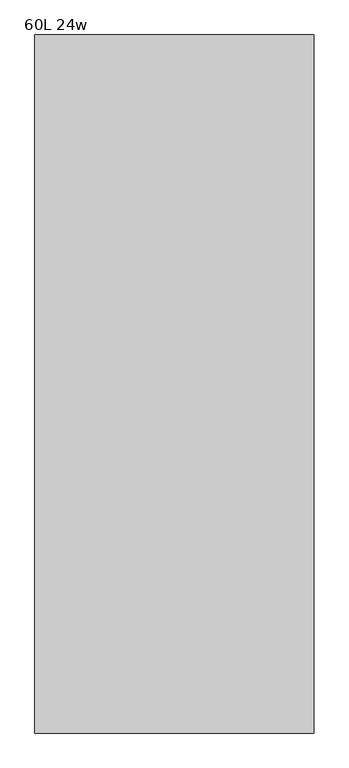
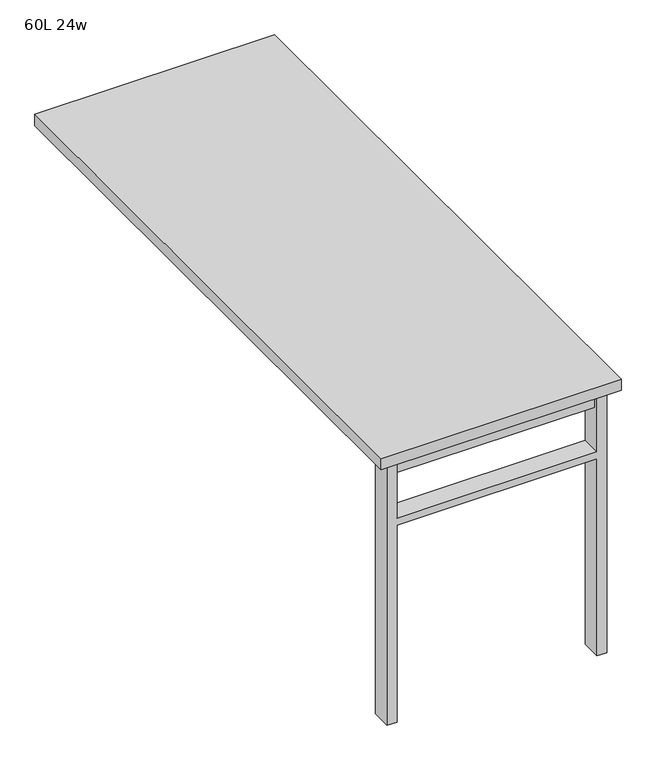
"""IFC4 building model written with IfcOpenShell, lengths in millimetres: furniture geometry, 60L 24w."""

import ifcopenshell
import ifcopenshell.guid

model = None  # the IFC model being written
_history = None  # IfcOwnerHistory: only IFC2X3 demands one
_inside = {}  # id of a spatial element -> (the spatial element, [elements in it])
_under = {}  # id of a project, library or spatial element -> (it, [spatial elements below it])
_declared = {}  # id of a project -> (the project, [libraries it declares])
_typed = {}  # id of a type object -> (the type object, [elements of that type])
_made_of = {}  # id of a material, layer set ... -> (it, [elements and type objects made of it])


def new_model(schema):
    """Start an empty IFC model of exactly this schema.

    Asked for "IFC4X3", IfcOpenShell would pick the latest addendum, in which some entities
    have other attributes; the version numbers below select the first issue.
    IFC2X3 requires an IfcOwnerHistory on every rooted entity: one is made here for all.
    """
    global model, _history
    if schema == "IFC4X3":
        model = ifcopenshell.file(schema_version=(4, 3, 0, 0))
    else:
        model = ifcopenshell.file(schema=schema)
    _inside.clear()
    _under.clear()
    _declared.clear()
    _typed.clear()
    _made_of.clear()
    _history = None
    if model.schema == "IFC2X3":
        org = make("IfcOrganization", Name="unknown")
        user = make(
            "IfcPersonAndOrganization",
            ThePerson=make("IfcPerson", FamilyName="unknown"),
            TheOrganization=org,
        )
        app = make(
            "IfcApplication",
            ApplicationDeveloper=org,
            Version="unknown",
            ApplicationFullName="unknown",
            ApplicationIdentifier="unknown",
        )
        _history = make(
            "IfcOwnerHistory",
            OwningUser=user,
            OwningApplication=app,
            ChangeAction="ADDED",
            CreationDate=0,
        )
    return model


def make(cls, **values):
    """One entity of the class cls with the attributes given. An attribute that is None is left unset."""
    return model.create_entity(
        cls, **{name: value for name, value in values.items() if value is not None}
    )


def rooted(cls, **values):
    """An entity with a GlobalId (a new one), such as an element, a storey or a relation."""
    return make(cls, GlobalId=ifcopenshell.guid.new(), OwnerHistory=_history, **values)


def si_unit(unit_type, name, prefix=None):
    """IfcSIUnit, for example si_unit("LENGTHUNIT", "METRE", prefix="MILLI")."""
    return make("IfcSIUnit", UnitType=unit_type, Prefix=prefix, Name=name)


def assignment(units):
    """IfcUnitAssignment: the units of a project."""
    return None if units is None else make("IfcUnitAssignment", Units=units)


def point(xyz):
    """IfcCartesianPoint."""
    return None if xyz is None else make("IfcCartesianPoint", Coordinates=xyz)


def direction(xyz):
    """IfcDirection."""
    return None if xyz is None else make("IfcDirection", DirectionRatios=xyz)


def frame(location, z_axis=None, x_axis=None):
    """IfcAxis2Placement3D, a coordinate frame: its origin and axes. An axis left out is left unset."""
    return make(
        "IfcAxis2Placement3D",
        Location=point(location),
        Axis=direction(z_axis),
        RefDirection=direction(x_axis),
    )


def origin():
    """The frame at (0, 0, 0) with its axes left unset."""
    return frame((0.0, 0.0, 0.0))


def place(relative_to, where):
    """IfcLocalPlacement: puts the frame where relative to a parent placement (None: the world)."""
    return make(
        "IfcLocalPlacement", PlacementRelTo=relative_to, RelativePlacement=where
    )


def context(
    kind, dimensions, precision=None, world=None, true_north=None, identifier=None
):
    """IfcGeometricRepresentationContext, for example the 3D "Model" context."""
    return make(
        "IfcGeometricRepresentationContext",
        ContextIdentifier=identifier,
        ContextType=kind,
        CoordinateSpaceDimension=dimensions,
        Precision=precision,
        WorldCoordinateSystem=world,
        TrueNorth=true_north,
    )


def project(units=None, contexts=None):
    """IfcProject with its units and contexts."""
    return rooted(
        "IfcProject",
        Name="project",
        RepresentationContexts=contexts,
        UnitsInContext=assignment(units),
    )


def spatial(cls, under=None, at=None, **own):
    """A site, building, storey or space (cls), placed at a placement, below another one or the project."""
    s = rooted(cls, ObjectPlacement=at, **own)
    if under is not None:
        _under.setdefault(under.id(), (under, []))[1].append(s)
    return s


def polyline(points):
    """IfcPolyline through the points."""
    return make("IfcPolyline", Points=[point(p) for p in points])


def outline(outer, holes=None, kind="AREA"):
    """IfcArbitraryClosedProfileDef: a profile drawn as a closed curve; with holes, ...WithVoids."""
    if holes is None:
        return make("IfcArbitraryClosedProfileDef", ProfileType=kind, OuterCurve=outer)
    return make(
        "IfcArbitraryProfileDefWithVoids",
        ProfileType=kind,
        OuterCurve=outer,
        InnerCurves=holes,
    )


def extrude(swept, where, along, depth):
    """IfcExtrudedAreaSolid: the profile swept, set in the frame where, extruded along a direction by depth."""
    return make(
        "IfcExtrudedAreaSolid",
        SweptArea=swept,
        Position=where,
        ExtrudedDirection=direction(along),
        Depth=depth,
    )


def shape(context_of_items, identifier, shape_type, items):
    """IfcShapeRepresentation: the items that make up one representation, for example the "Body"."""
    return make(
        "IfcShapeRepresentation",
        ContextOfItems=context_of_items,
        RepresentationIdentifier=identifier,
        RepresentationType=shape_type,
        Items=items,
    )


def source(mapping_origin, context_of_items, identifier, shape_type, items):
    """IfcRepresentationMap: a shape defined once, which mapped items show again and again."""
    return make(
        "IfcRepresentationMap",
        MappingOrigin=mapping_origin,
        MappedRepresentation=shape(context_of_items, identifier, shape_type, items),
    )


def transform(
    local_origin,
    x_axis=None,
    y_axis=None,
    z_axis=None,
    scale=None,
    scale2=None,
    scale3=None,
    uniform=True,
):
    """IfcCartesianTransformationOperator3D, or its non-uniform kind. x_axis, y_axis, z_axis: its Axis1, 2, 3."""
    if uniform:
        return make(
            "IfcCartesianTransformationOperator3D",
            Axis1=direction(x_axis),
            Axis2=direction(y_axis),
            LocalOrigin=point(local_origin),
            Scale=scale,
            Axis3=direction(z_axis),
        )
    return make(
        "IfcCartesianTransformationOperator3DnonUniform",
        Axis1=direction(x_axis),
        Axis2=direction(y_axis),
        LocalOrigin=point(local_origin),
        Scale=scale,
        Axis3=direction(z_axis),
        Scale2=scale2,
        Scale3=scale3,
    )


def mapped(mapping_source, mapping_target):
    """IfcMappedItem: shows the shape of a source again, moved by a transform."""
    return make(
        "IfcMappedItem", MappingSource=mapping_source, MappingTarget=mapping_target
    )


def made_of(thing, what):
    """Note that an element or type object is made of a material, layer set ...; save() writes the relation."""
    if what is not None:
        _made_of.setdefault(what.id(), (what, []))[1].append(thing)
    return thing


def element(
    cls,
    number,
    at=None,
    inside=None,
    cuts=None,
    type_object=None,
    material=None,
    context=None,
    identifier="Body",
    shape_type=None,
    held_by="IfcProductDefinitionShape",
    body=None,
    shapes=None,
    **own,
):
    """One element of the class cls, such as IfcWall. Its Tag is "e" and its number.

    at: its placement. inside: the storey or other place that contains it. cuts: it is an
    opening in that element (IfcRelVoidsElement). A single representation is given by context,
    identifier, shape_type and body (its items); several are given by shapes. held_by: the class
    of the entity that holds the representations. save() writes the other relations.
    """
    e = rooted(cls, Tag="e%d" % number, ObjectPlacement=at, **own)
    if body is not None:
        shapes = [shape(context, identifier, shape_type, body)]
    if shapes is not None:
        e.Representation = make(held_by, Representations=shapes)
    if inside is not None:
        _inside.setdefault(inside.id(), (inside, []))[1].append(e)
    if cuts is not None:
        rooted(
            "IfcRelVoidsElement", RelatingBuildingElement=cuts, RelatedOpeningElement=e
        )
    if type_object is not None:
        _typed.setdefault(type_object.id(), (type_object, []))[1].append(e)
    return made_of(e, material)


def aggregate(whole, parts):
    """IfcRelAggregates: a whole, such as a stair, and the parts it consists of."""
    return rooted("IfcRelAggregates", RelatingObject=whole, RelatedObjects=parts)


def save(model, path):
    """Write the relations noted so far, then the file.

    IfcRelAggregates (storeys below a building ...), IfcRelContainedInSpatialStructure (elements
    in a storey), IfcRelDefinesByType, IfcRelAssociatesMaterial and IfcRelDeclares: one each for
    every whole, place, type object, material and project.
    """
    for whole, parts in _under.values():
        aggregate(whole, parts)
    for where, things in _inside.values():
        rooted(
            "IfcRelContainedInSpatialStructure",
            RelatedElements=things,
            RelatingStructure=where,
        )
    for kind, things in _typed.values():
        rooted("IfcRelDefinesByType", RelatedObjects=things, RelatingType=kind)
    for what, things in _made_of.values():
        rooted("IfcRelAssociatesMaterial", RelatedObjects=things, RelatingMaterial=what)
    for by, libraries in _declared.values():
        rooted("IfcRelDeclares", RelatingContext=by, RelatedDefinitions=libraries)
    model.write(path)


def furniture_60l_24w_f2bb7358(model_context):
    return source(origin(), model_context, "Body", "SweptSolid", [
        extrude(outline(polyline([(-254.0, -701.675), (254.0, -701.675), (254.0, -733.425), (-254.0, -733.425), (-254.0, -701.675)])), frame((0.0, 0.0, 661.9875), z_axis=(0.0, 0.0, 1.0), x_axis=(1.0, 0.0, 0.0)), (0.0, 0.0, 1.0), 44.45),
        extrude(outline(polyline([(528.6375, 254.0), (0.0, 254.0), (0.0, 279.4), (706.4375, 279.4), (706.4375, 254.0), (547.6875, 254.0), (547.6875, -254.0), (706.4375, -254.0), (706.4375, -279.4), (0.0, -279.4), (0.0, -254.0), (528.6375, -254.0), (528.6375, 254.0)])), frame((0.0, -742.95, 0.0), z_axis=(0.0, 1.0, 0.0), x_axis=(0.0, 0.0, 1.0)), (0.0, 0.0, 1.0), 50.8),
        extrude(outline(polyline([(-304.8, -762.0), (-304.8, 762.0), (304.8, 762.0), (304.8, -762.0), (-304.8, -762.0)])), frame((0.0, 0.0, 706.4375), z_axis=(0.0, 0.0, 1.0), x_axis=(1.0, 0.0, 0.0)), (0.0, 0.0, 1.0), 30.1625),
    ])


if __name__ == "__main__":
    model = new_model("IFC4")
    model_context = context("Model", 3, world=origin())
    ifc_project = project(units=[si_unit("LENGTHUNIT", "METRE", prefix="MILLI")], contexts=[model_context])
    site = spatial("IfcSite", under=ifc_project)
    building = spatial("IfcBuilding", under=site)
    placement = place(None, origin())
    furniture_60l_24w_shape = furniture_60l_24w_f2bb7358(model_context)
    element("IfcFurniture", 1, ObjectType="60L 24w", at=placement, inside=building, context=model_context, shape_type="MappedRepresentation", body=[
        mapped(furniture_60l_24w_shape, transform((0.0, 0.0, 0.0), x_axis=(1.0, 0.0, 0.0), y_axis=(0.0, 1.0, 0.0), z_axis=(0.0, 0.0, 1.0))),
    ])
    save(model, "model.ifc")
